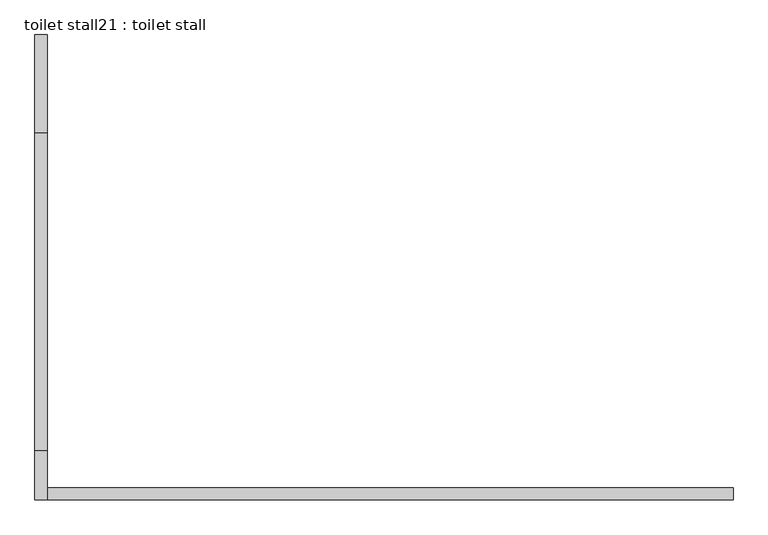
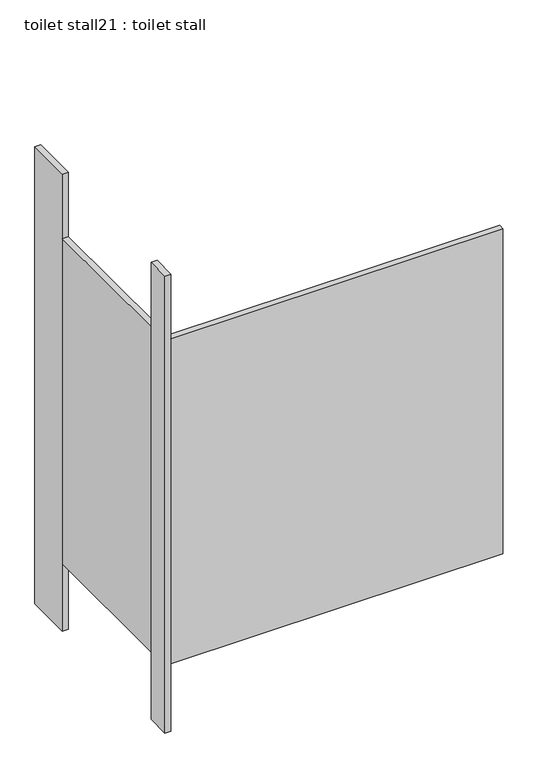
"""IFC4 building model written with IfcOpenShell, lengths in millimetres: proxy geometry, toilet stall21 : toilet stall."""

import ifcopenshell
import ifcopenshell.guid

model = None  # the IFC model being written
_history = None  # IfcOwnerHistory: only IFC2X3 demands one
_inside = {}  # id of a spatial element -> (the spatial element, [elements in it])
_under = {}  # id of a project, library or spatial element -> (it, [spatial elements below it])
_declared = {}  # id of a project -> (the project, [libraries it declares])
_typed = {}  # id of a type object -> (the type object, [elements of that type])
_made_of = {}  # id of a material, layer set ... -> (it, [elements and type objects made of it])


def new_model(schema):
    """Start an empty IFC model of exactly this schema.

    Asked for "IFC4X3", IfcOpenShell would pick the latest addendum, in which some entities
    have other attributes; the version numbers below select the first issue.
    IFC2X3 requires an IfcOwnerHistory on every rooted entity: one is made here for all.
    """
    global model, _history
    if schema == "IFC4X3":
        model = ifcopenshell.file(schema_version=(4, 3, 0, 0))
    else:
        model = ifcopenshell.file(schema=schema)
    _inside.clear()
    _under.clear()
    _declared.clear()
    _typed.clear()
    _made_of.clear()
    _history = None
    if model.schema == "IFC2X3":
        org = make("IfcOrganization", Name="unknown")
        user = make(
            "IfcPersonAndOrganization",
            ThePerson=make("IfcPerson", FamilyName="unknown"),
            TheOrganization=org,
        )
        app = make(
            "IfcApplication",
            ApplicationDeveloper=org,
            Version="unknown",
            ApplicationFullName="unknown",
            ApplicationIdentifier="unknown",
        )
        _history = make(
            "IfcOwnerHistory",
            OwningUser=user,
            OwningApplication=app,
            ChangeAction="ADDED",
            CreationDate=0,
        )
    return model


def make(cls, **values):
    """One entity of the class cls with the attributes given. An attribute that is None is left unset."""
    return model.create_entity(
        cls, **{name: value for name, value in values.items() if value is not None}
    )


def rooted(cls, **values):
    """An entity with a GlobalId (a new one), such as an element, a storey or a relation."""
    return make(cls, GlobalId=ifcopenshell.guid.new(), OwnerHistory=_history, **values)


def si_unit(unit_type, name, prefix=None):
    """IfcSIUnit, for example si_unit("LENGTHUNIT", "METRE", prefix="MILLI")."""
    return make("IfcSIUnit", UnitType=unit_type, Prefix=prefix, Name=name)


def assignment(units):
    """IfcUnitAssignment: the units of a project."""
    return None if units is None else make("IfcUnitAssignment", Units=units)


def point(xyz):
    """IfcCartesianPoint."""
    return None if xyz is None else make("IfcCartesianPoint", Coordinates=xyz)


def direction(xyz):
    """IfcDirection."""
    return None if xyz is None else make("IfcDirection", DirectionRatios=xyz)


def frame(location, z_axis=None, x_axis=None):
    """IfcAxis2Placement3D, a coordinate frame: its origin and axes. An axis left out is left unset."""
    return make(
        "IfcAxis2Placement3D",
        Location=point(location),
        Axis=direction(z_axis),
        RefDirection=direction(x_axis),
    )


def origin():
    """The frame at (0, 0, 0) with its axes left unset."""
    return frame((0.0, 0.0, 0.0))


def origin_with_axes():
    """The frame at (0, 0, 0) with the z axis (0, 0, 1) and the x axis (1, 0, 0) written out."""
    return frame((0.0, 0.0, 0.0), z_axis=(0.0, 0.0, 1.0), x_axis=(1.0, 0.0, 0.0))


def place(relative_to, where):
    """IfcLocalPlacement: puts the frame where relative to a parent placement (None: the world)."""
    return make(
        "IfcLocalPlacement", PlacementRelTo=relative_to, RelativePlacement=where
    )


def context(
    kind, dimensions, precision=None, world=None, true_north=None, identifier=None
):
    """IfcGeometricRepresentationContext, for example the 3D "Model" context."""
    return make(
        "IfcGeometricRepresentationContext",
        ContextIdentifier=identifier,
        ContextType=kind,
        CoordinateSpaceDimension=dimensions,
        Precision=precision,
        WorldCoordinateSystem=world,
        TrueNorth=true_north,
    )


def project(units=None, contexts=None):
    """IfcProject with its units and contexts."""
    return rooted(
        "IfcProject",
        Name="project",
        RepresentationContexts=contexts,
        UnitsInContext=assignment(units),
    )


def spatial(cls, under=None, at=None, **own):
    """A site, building, storey or space (cls), placed at a placement, below another one or the project."""
    s = rooted(cls, ObjectPlacement=at, **own)
    if under is not None:
        _under.setdefault(under.id(), (under, []))[1].append(s)
    return s


def polyline(points):
    """IfcPolyline through the points."""
    return make("IfcPolyline", Points=[point(p) for p in points])


def outline(outer, holes=None, kind="AREA"):
    """IfcArbitraryClosedProfileDef: a profile drawn as a closed curve; with holes, ...WithVoids."""
    if holes is None:
        return make("IfcArbitraryClosedProfileDef", ProfileType=kind, OuterCurve=outer)
    return make(
        "IfcArbitraryProfileDefWithVoids",
        ProfileType=kind,
        OuterCurve=outer,
        InnerCurves=holes,
    )


def extrude(swept, where, along, depth):
    """IfcExtrudedAreaSolid: the profile swept, set in the frame where, extruded along a direction by depth."""
    return make(
        "IfcExtrudedAreaSolid",
        SweptArea=swept,
        Position=where,
        ExtrudedDirection=direction(along),
        Depth=depth,
    )


def shape(context_of_items, identifier, shape_type, items):
    """IfcShapeRepresentation: the items that make up one representation, for example the "Body"."""
    return make(
        "IfcShapeRepresentation",
        ContextOfItems=context_of_items,
        RepresentationIdentifier=identifier,
        RepresentationType=shape_type,
        Items=items,
    )


def source(mapping_origin, context_of_items, identifier, shape_type, items):
    """IfcRepresentationMap: a shape defined once, which mapped items show again and again."""
    return make(
        "IfcRepresentationMap",
        MappingOrigin=mapping_origin,
        MappedRepresentation=shape(context_of_items, identifier, shape_type, items),
    )


def transform(
    local_origin,
    x_axis=None,
    y_axis=None,
    z_axis=None,
    scale=None,
    scale2=None,
    scale3=None,
    uniform=True,
):
    """IfcCartesianTransformationOperator3D, or its non-uniform kind. x_axis, y_axis, z_axis: its Axis1, 2, 3."""
    if uniform:
        return make(
            "IfcCartesianTransformationOperator3D",
            Axis1=direction(x_axis),
            Axis2=direction(y_axis),
            LocalOrigin=point(local_origin),
            Scale=scale,
            Axis3=direction(z_axis),
        )
    return make(
        "IfcCartesianTransformationOperator3DnonUniform",
        Axis1=direction(x_axis),
        Axis2=direction(y_axis),
        LocalOrigin=point(local_origin),
        Scale=scale,
        Axis3=direction(z_axis),
        Scale2=scale2,
        Scale3=scale3,
    )


def mapped(mapping_source, mapping_target):
    """IfcMappedItem: shows the shape of a source again, moved by a transform."""
    return make(
        "IfcMappedItem", MappingSource=mapping_source, MappingTarget=mapping_target
    )


def made_of(thing, what):
    """Note that an element or type object is made of a material, layer set ...; save() writes the relation."""
    if what is not None:
        _made_of.setdefault(what.id(), (what, []))[1].append(thing)
    return thing


def element(
    cls,
    number,
    at=None,
    inside=None,
    cuts=None,
    type_object=None,
    material=None,
    context=None,
    identifier="Body",
    shape_type=None,
    held_by="IfcProductDefinitionShape",
    body=None,
    shapes=None,
    **own,
):
    """One element of the class cls, such as IfcWall. Its Tag is "e" and its number.

    at: its placement. inside: the storey or other place that contains it. cuts: it is an
    opening in that element (IfcRelVoidsElement). A single representation is given by context,
    identifier, shape_type and body (its items); several are given by shapes. held_by: the class
    of the entity that holds the representations. save() writes the other relations.
    """
    e = rooted(cls, Tag="e%d" % number, ObjectPlacement=at, **own)
    if body is not None:
        shapes = [shape(context, identifier, shape_type, body)]
    if shapes is not None:
        e.Representation = make(held_by, Representations=shapes)
    if inside is not None:
        _inside.setdefault(inside.id(), (inside, []))[1].append(e)
    if cuts is not None:
        rooted(
            "IfcRelVoidsElement", RelatingBuildingElement=cuts, RelatedOpeningElement=e
        )
    if type_object is not None:
        _typed.setdefault(type_object.id(), (type_object, []))[1].append(e)
    return made_of(e, material)


def aggregate(whole, parts):
    """IfcRelAggregates: a whole, such as a stair, and the parts it consists of."""
    return rooted("IfcRelAggregates", RelatingObject=whole, RelatedObjects=parts)


def save(model, path):
    """Write the relations noted so far, then the file.

    IfcRelAggregates (storeys below a building ...), IfcRelContainedInSpatialStructure (elements
    in a storey), IfcRelDefinesByType, IfcRelAssociatesMaterial and IfcRelDeclares: one each for
    every whole, place, type object, material and project.
    """
    for whole, parts in _under.values():
        aggregate(whole, parts)
    for where, things in _inside.values():
        rooted(
            "IfcRelContainedInSpatialStructure",
            RelatedElements=things,
            RelatingStructure=where,
        )
    for kind, things in _typed.values():
        rooted("IfcRelDefinesByType", RelatedObjects=things, RelatingType=kind)
    for what, things in _made_of.values():
        rooted("IfcRelAssociatesMaterial", RelatedObjects=things, RelatingMaterial=what)
    for by, libraries in _declared.values():
        rooted("IfcRelDeclares", RelatingContext=by, RelatedDefinitions=libraries)
    model.write(path)


def toilet_stall21_toilet_stall_3a3dbd72(model_context):
    return source(origin(), model_context, "Body", "SweptSolid", [
        extrude(outline(polyline([(454658.2004676, -343769.1705223), (454632.8004676, -343769.1705223), (454632.8004676, -343565.9705223), (454658.2004676, -343565.9705223), (454658.2004676, -343769.1705223)])), origin_with_axes(), (0.0, 0.0, 1.0), 2070.1),
        extrude(outline(polyline([(454658.2004676, -344531.1705223), (454632.8004676, -344531.1705223), (454632.8004676, -344429.5705223), (454658.2004676, -344429.5705223), (454658.2004676, -344531.1705223)])), origin_with_axes(), (0.0, 0.0, 1.0), 2070.1),
        extrude(outline(polyline([(454658.2004676, -344531.1705223), (454658.2004676, -344505.7705223), (456080.6004676, -344505.7705223), (456080.6004676, -344531.1705223), (454658.2004676, -344531.1705223)])), frame((0.0, 0.0, 304.8), z_axis=(0.0, 0.0, 1.0), x_axis=(1.0, 0.0, 0.0)), (0.0, 0.0, 1.0), 1473.2),
        extrude(outline(polyline([(454658.2004676, -344429.5705223), (454632.8004676, -344429.5705223), (454632.8004676, -343769.1705223), (454658.2004676, -343769.1705223), (454658.2004676, -344429.5705223)])), frame((0.0, 0.0, 304.8), z_axis=(0.0, 0.0, 1.0), x_axis=(1.0, 0.0, 0.0)), (0.0, 0.0, 1.0), 1473.2),
    ])


if __name__ == "__main__":
    model = new_model("IFC4")
    model_context = context("Model", 3, world=origin())
    ifc_project = project(units=[si_unit("LENGTHUNIT", "METRE", prefix="MILLI")], contexts=[model_context])
    site = spatial("IfcSite", under=ifc_project)
    building = spatial("IfcBuilding", under=site)
    placement = place(None, origin())
    toilet_stall21_toilet_stall_shape = toilet_stall21_toilet_stall_3a3dbd72(model_context)
    element("IfcBuildingElementProxy", 1, Name="toilet stall21 : toilet stall", ObjectType="toilet stall21 : toilet stall", at=placement, inside=building, context=model_context, shape_type="MappedRepresentation", body=[
        mapped(toilet_stall21_toilet_stall_shape, transform((0.0, 0.0, 0.0), x_axis=(1.0, 0.0, 0.0), y_axis=(0.0, 1.0, 0.0), z_axis=(0.0, 0.0, 1.0))),
    ])
    save(model, "model.ifc")
